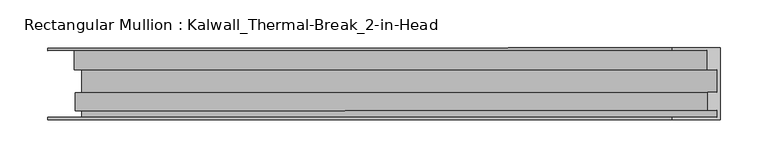
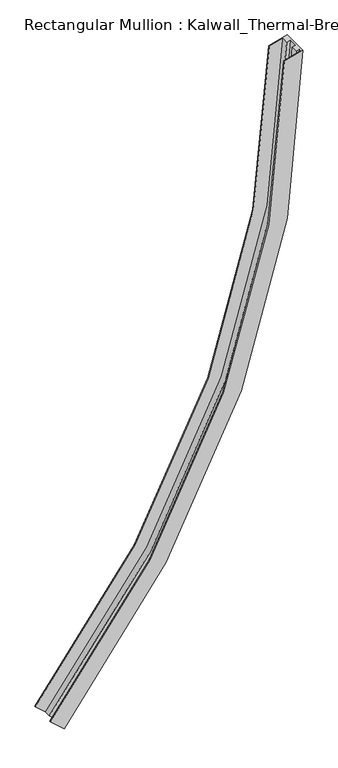
"""IFC4 building model written with IfcOpenShell, lengths in millimetres: member geometry, Rectangular Mullion : Kalwall_Thermal-Break_2-in-Head."""

from ifc_helpers import new_model, si_unit, frame, origin, place, context, project, spatial, polyline, circle_curve, source, transform, mapped, element, save
from ifc_brep_helpers import plane_surface, cylinder_surface, revolved_surface, advanced_brep


def rectangular_mullion_kalwall_thermal_break_2_in_head_749cee60(model_context):
    return source(origin(), model_context, "Body", "AdvancedBrep", [
        advanced_brep(
        [(-664.9657261, 37.5023614, -1766.3831931), (0.0, 37.5023614, 0.0), (0.0, -37.5776386, 0.0), (-664.9657261, -37.5776386, -1766.3831931), (-703.1543325, 37.5023614, -1732.8828895), (-50.8375302, 37.5023614, -14.0441747), (-703.1543325, 34.9623614, -1732.8828895), (-50.8375302, 34.9623614, -14.0441747), (-675.6203472, 34.9623614, -1757.0366084), (-14.1760781, 34.9623614, -3.9162272), (-675.6203472, 14.7439614, -1757.0366084), (-14.1760781, 14.7439614, -3.9162272), (-667.7534943, 14.7439614, -1763.9376709), (-3.7085962, 14.7439614, -1.0245221), (-667.7534943, -9.1879886, -1763.9376709), (-3.7085962, -9.1879886, -1.0245221), (-674.6085401, -9.1879886, -1757.924199), (-12.8296101, -9.1879886, -3.5442573), (-674.6085401, -27.8888568, -1757.924199), (-12.8296101, -27.8888568, -3.5442573), (-667.7534943, -27.8888568, -1763.9376709), (-3.7085962, -27.8888568, -1.0245221), (-667.7534943, -35.0376386, -1763.9376709), (-3.7085962, -35.0376386, -1.0245221), (-703.1543325, -35.0376386, -1732.8828895), (-50.8375302, -35.0376386, -14.0441747), (-703.1543325, -37.5776386, -1732.8828895), (-50.8375302, -37.5776386, -14.0441747)],
        [
            (0, 1, circle_curve(frame((-2678.5508351, 37.5023614, 0.0), z_axis=(0.0, -1.0, 0.0), x_axis=(1.0, 0.0, 0.0)), 2678.5508351)),
            (1, 2),
            (2, 3, circle_curve(frame((-2678.5508351, -37.5776386, 0.0), z_axis=(0.0, 1.0, 0.0), x_axis=(1.0, 0.0, 0.0)), 2678.5508351)),
            (3, 0),
            (4, 5, circle_curve(frame((-2678.5508351, 37.5023614, 0.0), z_axis=(0.0, -1.0, 0.0), x_axis=(1.0, 0.0, 0.0)), 2627.7508351)),
            (5, 1),
            (0, 4),
            (6, 7, circle_curve(frame((-2678.5508351, 34.9623614, 0.0), z_axis=(0.0, -1.0, 0.0), x_axis=(1.0, 0.0, 0.0)), 2627.7508351)),
            (7, 5),
            (4, 6),
            (8, 9, circle_curve(frame((-2678.5508351, 34.9623614, 0.0), z_axis=(0.0, -1.0, 0.0), x_axis=(1.0, 0.0, 0.0)), 2664.3776351)),
            (9, 7),
            (6, 8),
            (10, 11, circle_curve(frame((-2678.5508351, 14.7439614, 0.0), z_axis=(0.0, -1.0, 0.0), x_axis=(1.0, 0.0, 0.0)), 2664.3776351)),
            (11, 9),
            (8, 10),
            (12, 13, circle_curve(frame((-2678.5508351, 14.7439614, 0.0), z_axis=(0.0, -1.0, 0.0), x_axis=(1.0, 0.0, 0.0)), 2674.8424351)),
            (13, 11),
            (10, 12),
            (14, 15, circle_curve(frame((-2678.5508351, -9.1879886, 0.0), z_axis=(0.0, -1.0, 0.0), x_axis=(1.0, 0.0, 0.0)), 2674.8424351)),
            (15, 13),
            (12, 14),
            (16, 17, circle_curve(frame((-2678.5508351, -9.1879886, 0.0), z_axis=(0.0, -1.0, 0.0), x_axis=(1.0, 0.0, 0.0)), 2665.7235812)),
            (17, 15),
            (14, 16),
            (18, 19, circle_curve(frame((-2678.5508351, -27.8888568, 0.0), z_axis=(0.0, -1.0, 0.0), x_axis=(1.0, 0.0, 0.0)), 2665.7235812)),
            (19, 17),
            (16, 18),
            (20, 21, circle_curve(frame((-2678.5508351, -27.8888568, 0.0), z_axis=(0.0, -1.0, 0.0), x_axis=(1.0, 0.0, 0.0)), 2674.8424351)),
            (21, 19),
            (18, 20),
            (22, 23, circle_curve(frame((-2678.5508351, -35.0376386, 0.0), z_axis=(0.0, -1.0, 0.0), x_axis=(1.0, 0.0, 0.0)), 2674.8424351)),
            (23, 21),
            (20, 22),
            (24, 25, circle_curve(frame((-2678.5508351, -35.0376386, 0.0), z_axis=(0.0, -1.0, 0.0), x_axis=(1.0, 0.0, 0.0)), 2627.7508351)),
            (25, 23),
            (22, 24),
            (26, 27, circle_curve(frame((-2678.5508351, -37.5776386, 0.0), z_axis=(0.0, -1.0, 0.0), x_axis=(1.0, 0.0, 0.0)), 2627.7508351)),
            (27, 25),
            (24, 26),
            (2, 27),
            (26, 3),
        ],
        [
            cylinder_surface(frame((-2678.5508351, 0.0, 0.0), z_axis=(0.0, 1.0, 0.0), x_axis=(1.0, 0.0, 0.0)), 2678.5508351),
            plane_surface(frame((-2678.5508351, 37.5023614, 0.0), z_axis=(0.0, 1.0, 0.0), x_axis=(1.0, 0.0, 0.0))),
            revolved_surface(polyline([(-50.79999999999973, 37.5023614, 0.0), (-50.79999999999973, 34.9623614, 0.0)]), (-2678.5508351, 0.0, 0.0), (0.0, 1.0, 0.0)),
            plane_surface(frame((-2678.5508351, 34.9623614, 0.0), z_axis=(0.0, -1.0, 0.0), x_axis=(1.0, 0.0, 0.0))),
            revolved_surface(polyline([(-14.173199999999724, 34.9623614, 0.0), (-14.173199999999724, 14.7439614, 0.0)]), (-2678.5508351, 0.0, 0.0), (0.0, 1.0, 0.0)),
            plane_surface(frame((-2678.5508351, 14.7439614, 0.0), z_axis=(0.0, -1.0, 0.0), x_axis=(1.0, 0.0, 0.0))),
            revolved_surface(polyline([(-3.7083999999999833, 14.7439614, 0.0), (-3.7083999999999833, -9.1879886, 0.0)]), (-2678.5508351, 0.0, 0.0), (0.0, 1.0, 0.0)),
            plane_surface(frame((-2678.5508351, -9.1879886, 0.0), z_axis=(0.0, 1.0, 0.0), x_axis=(1.0, 0.0, 0.0))),
            revolved_surface(polyline([(-12.82725389999996, -9.1879886, 0.0), (-12.82725389999996, -27.8888568, 0.0)]), (-2678.5508351, 0.0, 0.0), (0.0, 1.0, 0.0)),
            plane_surface(frame((-2678.5508351, -27.8888568, 0.0), z_axis=(0.0, -1.0, 0.0), x_axis=(1.0, 0.0, 0.0))),
            revolved_surface(polyline([(-3.7083999999999833, -27.8888568, 0.0), (-3.7083999999999833, -35.0376386, 0.0)]), (-2678.5508351, 0.0, 0.0), (0.0, 1.0, 0.0)),
            plane_surface(frame((-2678.5508351, -35.0376386, 0.0), z_axis=(0.0, 1.0, 0.0), x_axis=(1.0, 0.0, 0.0))),
            revolved_surface(polyline([(-50.79999999999973, -35.0376386, 0.0), (-50.79999999999973, -37.5776386, 0.0)]), (-2678.5508351, 0.0, 0.0), (0.0, 1.0, 0.0)),
            plane_surface(frame((-2678.5508351, -37.5776386, 0.0), z_axis=(0.0, -1.0, 0.0), x_axis=(1.0, 0.0, 0.0))),
            plane_surface(frame((0.0, -304.8, 0.0), z_axis=(-0.26628187013798443, 0.0, 0.9638952046959346), x_axis=(-0.9638952046959346, 0.0, -0.26628187013798443))),
            plane_surface(frame((-435.8340877, 0.0, -1967.3850148), z_axis=(-0.6594547954625454, 0.0, -0.7517442202913518), x_axis=(0.0, -1.0, 0.0))),
        ],
        [
            (0, [[1, 2, 3, 4]]),
            (1, [[5, 6, -1, 7]]),
            (2, [[8, 9, -5, 10]]),
            (3, [[11, 12, -8, 13]]),
            (4, [[14, 15, -11, 16]]),
            (5, [[17, 18, -14, 19]]),
            (6, [[20, 21, -17, 22]]),
            (7, [[23, 24, -20, 25]]),
            (8, [[26, 27, -23, 28]]),
            (9, [[29, 30, -26, 31]]),
            (10, [[32, 33, -29, 34]]),
            (11, [[35, 36, -32, 37]]),
            (12, [[38, 39, -35, 40]]),
            (13, [[-3, 41, -38, 42]]),
            (14, [[-2, -6, -9, -12, -15, -18, -21, -24, -27, -30, -33, -36, -39, -41]]),
            (15, [[-42, -40, -37, -34, -31, -28, -25, -22, -19, -16, -13, -10, -7, -4]]),
        ],
    ),
    ])


if __name__ == "__main__":
    model = new_model("IFC4")
    model_context = context("Model", 3, world=origin())
    ifc_project = project(units=[si_unit("LENGTHUNIT", "METRE", prefix="MILLI")], contexts=[model_context])
    site = spatial("IfcSite", under=ifc_project)
    building = spatial("IfcBuilding", under=site)
    placement = place(None, origin())
    rectangular_mullion_kalwall_thermal_break_2_in_head_shape = rectangular_mullion_kalwall_thermal_break_2_in_head_749cee60(model_context)
    element("IfcMember", 1, ObjectType="Rectangular Mullion : Kalwall_Thermal-Break_2-in-Head", at=placement, inside=building, context=model_context, shape_type="MappedRepresentation", body=[
        mapped(rectangular_mullion_kalwall_thermal_break_2_in_head_shape, transform((0.0, 0.0, 0.0), x_axis=(1.0, 0.0, 0.0), y_axis=(0.0, 1.0, 0.0), z_axis=(0.0, 0.0, 1.0))),
    ])
    save(model, "model.ifc")
